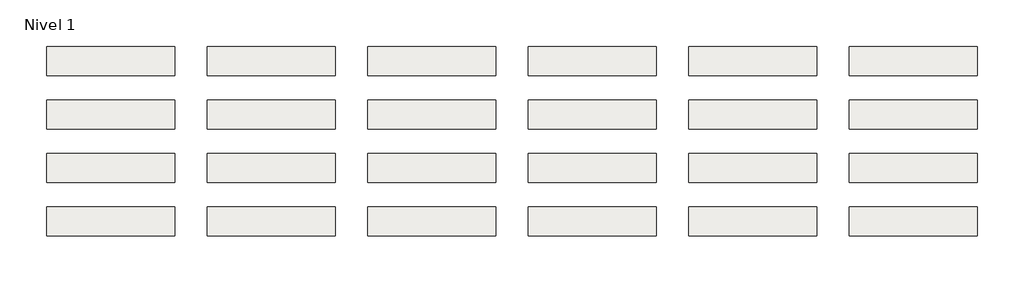
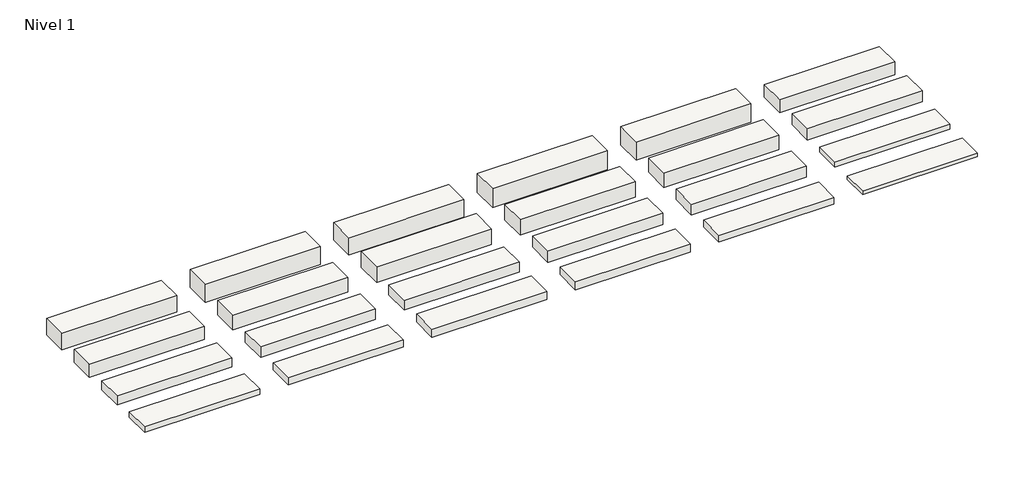
# One storey: 24 roofs.
"""IFC4 building model written with IfcOpenShell, lengths in millimetres."""

from ifc_helpers import new_model, si_unit, origin, origin_with_axes, place, context, project, spatial, polyline, outline, extrude, element, save

model = new_model("IFC4")

# Units and contexts
model_context = context("Model", 3, world=origin())
ifc_project = project(units=[si_unit("LENGTHUNIT", "METRE", prefix="MILLI")], contexts=[model_context])

# Site, building, storey
site = spatial("IfcSite", under=ifc_project)
building = spatial("IfcBuilding", under=site)
storey = spatial("IfcBuildingStorey", under=building, Name="Nivel 1", Elevation=0.0)

# Roofs
placement = place(None, origin())
element("IfcRoof", 1, at=placement, inside=storey, context=model_context, shape_type="SweptSolid", body=[
    extrude(outline(polyline([(-3824.6699095, -7444.5376473), (-1424.6699095, -7444.5376473), (-1424.6699095, -7994.5376473), (-3824.6699095, -7994.5376473), (-3824.6699095, -7444.5376473)])), origin_with_axes(), (0.0, 0.0, 1.0), 365.0),
])
element("IfcRoof", 2, at=placement, inside=storey, context=model_context, shape_type="SweptSolid", body=[
    extrude(outline(polyline([(-3824.6699095, -8444.5376473), (-1424.6699095, -8444.5376473), (-1424.6699095, -8994.5376473), (-3824.6699095, -8994.5376473), (-3824.6699095, -8444.5376473)])), origin_with_axes(), (0.0, 0.0, 1.0), 285.0),
])
element("IfcRoof", 3, at=placement, inside=storey, context=model_context, shape_type="SweptSolid", body=[
    extrude(outline(polyline([(-3824.6699095, -9444.5376473), (-1424.6699095, -9444.5376473), (-1424.6699095, -9994.5376473), (-3824.6699095, -9994.5376473), (-3824.6699095, -9444.5376473)])), origin_with_axes(), (0.0, 0.0, 1.0), 197.5),
])
element("IfcRoof", 4, at=placement, inside=storey, context=model_context, shape_type="SweptSolid", body=[
    extrude(outline(polyline([(-3824.6699095, -10444.5376473), (-1424.6699095, -10444.5376473), (-1424.6699095, -10994.5376473), (-3824.6699095, -10994.5376473), (-3824.6699095, -10444.5376473)])), origin_with_axes(), (0.0, 0.0, 1.0), 117.5),
])
element("IfcRoof", 5, at=placement, inside=storey, context=model_context, shape_type="SweptSolid", body=[
    extrude(outline(polyline([(-824.6699095, -7444.5376473), (1575.3300905, -7444.5376473), (1575.3300905, -7994.5376473), (-824.6699095, -7994.5376473), (-824.6699095, -7444.5376473)])), origin_with_axes(), (0.0, 0.0, 1.0), 395.0),
])
element("IfcRoof", 6, at=placement, inside=storey, context=model_context, shape_type="SweptSolid", body=[
    extrude(outline(polyline([(-824.6699095, -8444.5376473), (1575.3300905, -8444.5376473), (1575.3300905, -8994.5376473), (-824.6699095, -8994.5376473), (-824.6699095, -8444.5376473)])), origin_with_axes(), (0.0, 0.0, 1.0), 315.0),
])
element("IfcRoof", 7, at=placement, inside=storey, context=model_context, shape_type="SweptSolid", body=[
    extrude(outline(polyline([(-824.6699095, -9444.5376473), (1575.3300905, -9444.5376473), (1575.3300905, -9994.5376473), (-824.6699095, -9994.5376473), (-824.6699095, -9444.5376473)])), origin_with_axes(), (0.0, 0.0, 1.0), 227.5),
])
element("IfcRoof", 8, at=placement, inside=storey, context=model_context, shape_type="SweptSolid", body=[
    extrude(outline(polyline([(-824.6699095, -10444.5376473), (1575.3300905, -10444.5376473), (1575.3300905, -10994.5376473), (-824.6699095, -10994.5376473), (-824.6699095, -10444.5376473)])), origin_with_axes(), (0.0, 0.0, 1.0), 147.5),
])
element("IfcRoof", 9, at=placement, inside=storey, context=model_context, shape_type="SweptSolid", body=[
    extrude(outline(polyline([(2175.3300905, -7444.5376473), (4575.3300905, -7444.5376473), (4575.3300905, -7994.5376473), (2175.3300905, -7994.5376473), (2175.3300905, -7444.5376473)])), origin_with_axes(), (0.0, 0.0, 1.0), 380.0),
])
element("IfcRoof", 10, at=placement, inside=storey, context=model_context, shape_type="SweptSolid", body=[
    extrude(outline(polyline([(2175.3300905, -8444.5376473), (4575.3300905, -8444.5376473), (4575.3300905, -8994.5376473), (2175.3300905, -8994.5376473), (2175.3300905, -8444.5376473)])), origin_with_axes(), (0.0, 0.0, 1.0), 345.0),
])
element("IfcRoof", 11, at=placement, inside=storey, context=model_context, shape_type="SweptSolid", body=[
    extrude(outline(polyline([(2175.3300905, -9444.5376473), (4575.3300905, -9444.5376473), (4575.3300905, -9994.5376473), (2175.3300905, -9994.5376473), (2175.3300905, -9444.5376473)])), origin_with_axes(), (0.0, 0.0, 1.0), 212.5),
])
element("IfcRoof", 12, at=placement, inside=storey, context=model_context, shape_type="SweptSolid", body=[
    extrude(outline(polyline([(2175.3300905, -10444.5376473), (4575.3300905, -10444.5376473), (4575.3300905, -10994.5376473), (2175.3300905, -10994.5376473), (2175.3300905, -10444.5376473)])), origin_with_axes(), (0.0, 0.0, 1.0), 177.5),
])
element("IfcRoof", 13, at=placement, inside=storey, context=model_context, shape_type="SweptSolid", body=[
    extrude(outline(polyline([(5175.3300905, -7444.5376473), (7575.3300905, -7444.5376473), (7575.3300905, -7994.5376473), (5175.3300905, -7994.5376473), (5175.3300905, -7444.5376473)])), origin_with_axes(), (0.0, 0.0, 1.0), 420.0),
])
element("IfcRoof", 14, at=placement, inside=storey, context=model_context, shape_type="SweptSolid", body=[
    extrude(outline(polyline([(5175.3300905, -8444.5376473), (7575.3300905, -8444.5376473), (7575.3300905, -8994.5376473), (5175.3300905, -8994.5376473), (5175.3300905, -8444.5376473)])), origin_with_axes(), (0.0, 0.0, 1.0), 340.0),
])
element("IfcRoof", 15, at=placement, inside=storey, context=model_context, shape_type="SweptSolid", body=[
    extrude(outline(polyline([(5175.3300905, -9444.5376473), (7575.3300905, -9444.5376473), (7575.3300905, -9994.5376473), (5175.3300905, -9994.5376473), (5175.3300905, -9444.5376473)])), origin_with_axes(), (0.0, 0.0, 1.0), 252.5),
])
element("IfcRoof", 16, at=placement, inside=storey, context=model_context, shape_type="SweptSolid", body=[
    extrude(outline(polyline([(5175.3300905, -10444.5376473), (7575.3300905, -10444.5376473), (7575.3300905, -10994.5376473), (5175.3300905, -10994.5376473), (5175.3300905, -10444.5376473)])), origin_with_axes(), (0.0, 0.0, 1.0), 172.5),
])
element("IfcRoof", 17, at=placement, inside=storey, context=model_context, shape_type="SweptSolid", body=[
    extrude(outline(polyline([(8175.3300905, -7444.5376473), (10575.3300905, -7444.5376473), (10575.3300905, -7994.5376473), (8175.3300905, -7994.5376473), (8175.3300905, -7444.5376473)])), origin_with_axes(), (0.0, 0.0, 1.0), 400.0),
])
element("IfcRoof", 18, at=placement, inside=storey, context=model_context, shape_type="SweptSolid", body=[
    extrude(outline(polyline([(8175.3300905, -8444.5376473), (10575.3300905, -8444.5376473), (10575.3300905, -8994.5376473), (8175.3300905, -8994.5376473), (8175.3300905, -8444.5376473)])), origin_with_axes(), (0.0, 0.0, 1.0), 320.0),
])
element("IfcRoof", 19, at=placement, inside=storey, context=model_context, shape_type="SweptSolid", body=[
    extrude(outline(polyline([(8175.3300905, -9444.5376473), (10575.3300905, -9444.5376473), (10575.3300905, -9994.5376473), (8175.3300905, -9994.5376473), (8175.3300905, -9444.5376473)])), origin_with_axes(), (0.0, 0.0, 1.0), 232.5),
])
element("IfcRoof", 20, at=placement, inside=storey, context=model_context, shape_type="SweptSolid", body=[
    extrude(outline(polyline([(8175.3300905, -10444.5376473), (10575.3300905, -10444.5376473), (10575.3300905, -10994.5376473), (8175.3300905, -10994.5376473), (8175.3300905, -10444.5376473)])), origin_with_axes(), (0.0, 0.0, 1.0), 152.5),
])
element("IfcRoof", 21, at=placement, inside=storey, context=model_context, shape_type="SweptSolid", body=[
    extrude(outline(polyline([(11175.3300905, -7444.5376473), (13575.3300905, -7444.5376473), (13575.3300905, -7994.5376473), (11175.3300905, -7994.5376473), (11175.3300905, -7444.5376473)])), origin_with_axes(), (0.0, 0.0, 1.0), 285.0),
])
element("IfcRoof", 22, at=placement, inside=storey, context=model_context, shape_type="SweptSolid", body=[
    extrude(outline(polyline([(11175.3300905, -8444.5376473), (13575.3300905, -8444.5376473), (13575.3300905, -8994.5376473), (11175.3300905, -8994.5376473), (11175.3300905, -8444.5376473)])), origin_with_axes(), (0.0, 0.0, 1.0), 250.0),
])
element("IfcRoof", 23, at=placement, inside=storey, context=model_context, shape_type="SweptSolid", body=[
    extrude(outline(polyline([(11175.3300905, -9444.5376473), (13575.3300905, -9444.5376473), (13575.3300905, -9994.5376473), (11175.3300905, -9994.5376473), (11175.3300905, -9444.5376473)])), origin_with_axes(), (0.0, 0.0, 1.0), 117.5),
])
element("IfcRoof", 24, at=placement, inside=storey, context=model_context, shape_type="SweptSolid", body=[
    extrude(outline(polyline([(11175.3300905, -10444.5376473), (13575.3300905, -10444.5376473), (13575.3300905, -10994.5376473), (11175.3300905, -10994.5376473), (11175.3300905, -10444.5376473)])), origin_with_axes(), (0.0, 0.0, 1.0), 82.5),
])

save(model, "model.ifc")
